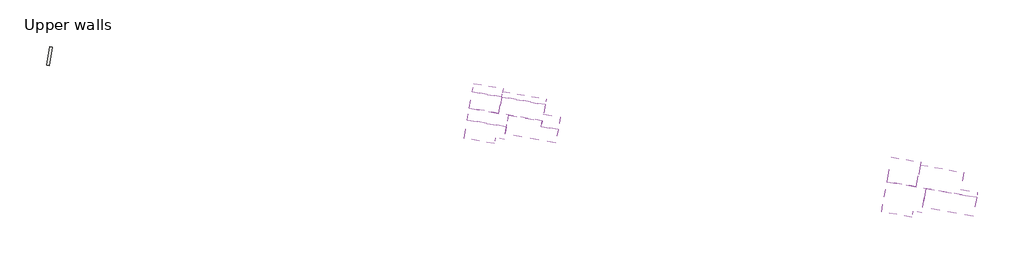
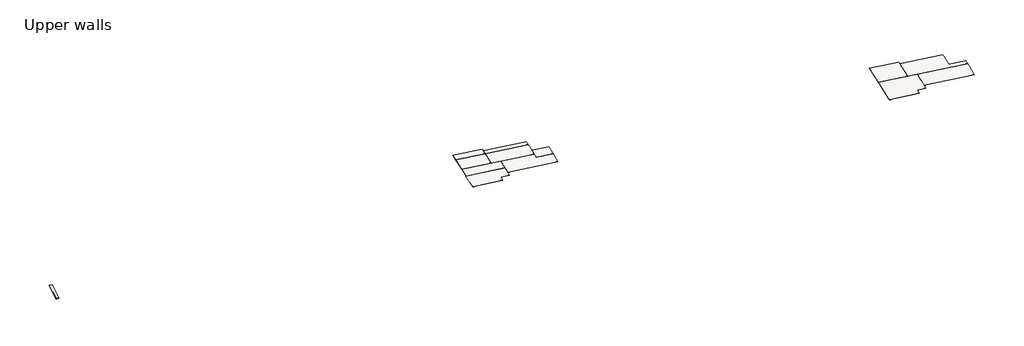
# One storey: 12 slabs, 1 roof.
"""IFC4 building model written with IfcOpenShell, lengths in millimetres."""

from ifc_helpers import new_model, si_unit, frame, origin, place, context, project, spatial, polyline, outline, extrude, element, save

model = new_model("IFC4")

# Units and contexts
model_context = context("Model", 3, world=origin())
ifc_project = project(units=[si_unit("LENGTHUNIT", "METRE", prefix="MILLI")], contexts=[model_context])

# Site, building, storey
site = spatial("IfcSite", under=ifc_project)
building = spatial("IfcBuilding", under=site)
storey = spatial("IfcBuildingStorey", under=building, Name="Upper walls", Elevation=2400.0)

# Roof
placement = place(None, origin())
element("IfcRoof", 1, ObjectType="90T_45Pur_Corr", at=placement, inside=storey, context=model_context, shape_type="SweptSolid", body=[
    extrude(outline(polyline([(4426.1038468, 3064.1982008), (0.0, 3844.6397284), (0.0, 4000.0), (4426.1038468, 3219.5584724), (4426.1038468, 3064.1982008)])), frame((-18423.1021286, -4402.6647553, 6403.0853224), z_axis=(-0.9848077530122061, 0.173648177666942, 0.0), x_axis=(0.173648177666942, 0.9848077530122061, 0.0)), (0.0, 0.0, 1.0), 645.0),
])

# Slabs
element("IfcSlab", 2, ObjectType="Adhesive5Tile9350x350", at=placement, inside=storey, context=model_context, shape_type="SweptSolid", body=[
    extrude(outline(polyline([(177879.6120871, -39016.1296578), (179136.9427525, -31885.4531139), (188343.9104354, -33508.8899269), (187333.3801952, -39239.8917067), (185265.2839138, -38875.2305336), (185018.4834887, -40274.9052977), (177879.6120871, -39016.1296578)])), frame((0.0, 0.0, 9386.0), z_axis=(0.0, 0.0, 1.0), x_axis=(1.0, 0.0, 0.0)), (0.0, 0.0, 1.0), 14.0),
])
element("IfcSlab", 3, ObjectType="Adhesive5Tile9350x350", at=placement, inside=storey, context=model_context, shape_type="SweptSolid", body=[
    extrude(outline(polyline([(187555.690322, -37979.1083261), (188344.0457553, -33508.1224898), (200267.4018514, -35610.5318701), (199479.0464181, -40081.5177064), (187555.690322, -37979.1083261)])), frame((0.0, 0.0, 9386.0), z_axis=(0.0, 0.0, 1.0), x_axis=(1.0, 0.0, 0.0)), (0.0, 0.0, 1.0), 14.0),
])
element("IfcSlab", 4, ObjectType="Adhesive5Tile9350x350", at=placement, inside=storey, context=model_context, shape_type="SweptSolid", body=[
    extrude(outline(polyline([(180189.7738159, -26038.3650102), (187124.2976088, -27261.1086532), (186092.6399121, -33111.9301927), (179158.1161192, -31889.1865497), (180189.7738159, -26038.3650102)])), frame((0.0, 0.0, 9386.0), z_axis=(0.0, 0.0, 1.0), x_axis=(1.0, 0.0, 0.0)), (0.0, 0.0, 1.0), 14.0),
])
element("IfcSlab", 5, ObjectType="Adhesive5Tile9350x350", at=placement, inside=storey, context=model_context, shape_type="SweptSolid", body=[
    extrude(outline(polyline([(187011.3813851, -27901.4883798), (197239.5947079, -29704.9983531), (196533.7148657, -33708.2418691), (200480.1281624, -34404.1010103), (200267.4018514, -35610.5318701), (186092.7752319, -33111.1627556), (187011.3813851, -27901.4883798)])), frame((0.0, 0.0, 9386.0), z_axis=(0.0, 0.0, 1.0), x_axis=(1.0, 0.0, 0.0)), (0.0, 0.0, 1.0), 14.0),
])
element("IfcSlab", 6, ObjectType="Adhesive5Tile9350x350", at=placement, inside=storey, context=model_context, shape_type="SweptSolid", body=[
    extrude(outline(polyline([(89882.4657229, -16143.8595832), (97859.4085223, -17550.4098223), (97633.0815611, -18833.9738028), (101563.2455299, -19526.9677491), (101001.1672567, -22714.6720408), (89094.0604885, -20615.1278554), (89882.4657229, -16143.8595832)])), frame((0.0, 0.0, 9386.0), z_axis=(0.0, 0.0, 1.0), x_axis=(1.0, 0.0, 0.0)), (0.0, 0.0, 1.0), 14.0),
])
element("IfcSlab", 7, ObjectType="Adhesive5Tile9350x350", at=placement, inside=storey, context=model_context, shape_type="SweptSolid", body=[
    extrude(outline(polyline([(89882.4232151, -16144.1006567), (89393.1006833, -18919.1866355), (80188.5950198, -17296.183943), (80677.9175516, -14521.0979641), (89882.4232151, -16144.1006567)])), frame((0.0, 0.0, 9386.0), z_axis=(0.0, 0.0, 1.0), x_axis=(1.0, 0.0, 0.0)), (0.0, 0.0, 1.0), 14.0),
])
element("IfcSlab", 8, ObjectType="Adhesive5Tile9350x350", at=placement, inside=storey, context=model_context, shape_type="SweptSolid", body=[
    extrude(outline(polyline([(87612.4413444, -15743.8416072), (88296.6600727, -11863.4443731), (98524.8733955, -13666.9543464), (97840.6546672, -17547.3515804), (87612.4413444, -15743.8416072)])), frame((0.0, 0.0, 9386.0), z_axis=(0.0, 0.0, 1.0), x_axis=(1.0, 0.0, 0.0)), (0.0, 0.0, 1.0), 14.0),
])
element("IfcSlab", 9, ObjectType="Adhesive5Tile9350x350", at=placement, inside=storey, context=model_context, shape_type="SweptSolid", body=[
    extrude(outline(polyline([(87612.4413444, -15743.8416072), (80677.9175516, -14521.0979641), (81362.1362798, -10640.7007301), (88296.6600727, -11863.4443731), (87612.4413444, -15743.8416072)])), frame((0.0, 0.0, 9386.0), z_axis=(0.0, 0.0, 1.0), x_axis=(1.0, 0.0, 0.0)), (0.0, 0.0, 1.0), 14.0),
])
element("IfcSlab", 10, ObjectType="Adhesive5Tile9350x350", at=placement, inside=storey, context=model_context, shape_type="SweptSolid", body=[
    extrude(outline(polyline([(81706.5364953, -8673.113123), (88643.5223076, -9896.2908865), (88296.6600727, -11863.4443731), (81359.6742605, -10640.2666097), (81706.5364953, -8673.113123)])), frame((0.0, 0.0, 9386.0), z_axis=(0.0, 0.0, 1.0), x_axis=(1.0, 0.0, 0.0)), (0.0, 0.0, 1.0), 14.0),
])
element("IfcSlab", 11, ObjectType="Adhesive5Tile9350x350", at=placement, inside=storey, context=model_context, shape_type="SweptSolid", body=[
    extrude(outline(polyline([(88530.6509921, -10536.415926), (98758.8643149, -12339.9258992), (98524.8733955, -13666.9543464), (88296.6600727, -11863.4443731), (88530.6509921, -10536.415926)])), frame((0.0, 0.0, 9386.0), z_axis=(0.0, 0.0, 1.0), x_axis=(1.0, 0.0, 0.0)), (0.0, 0.0, 1.0), 14.0),
])
element("IfcSlab", 12, ObjectType="Adhesive5Tile9350x350", at=placement, inside=storey, context=model_context, shape_type="SweptSolid", body=[
    extrude(outline(polyline([(98121.1732833, -15956.4514533), (102070.0485993, -16652.744715), (101563.2455299, -19526.9677491), (97614.3702138, -18830.6744874), (98121.1732833, -15956.4514533)])), frame((0.0, 0.0, 9386.0), z_axis=(0.0, 0.0, 1.0), x_axis=(1.0, 0.0, 0.0)), (0.0, 0.0, 1.0), 14.0),
])
element("IfcSlab", 13, ObjectType="Adhesive5Tile9350x350", at=placement, inside=storey, context=model_context, shape_type="SweptSolid", body=[
    extrude(outline(polyline([(80186.1330004, -17295.7498225), (89374.389336, -18915.8873201), (88852.6048939, -21875.07394), (86784.5086126, -21510.4127669), (86537.7081875, -22910.087531), (79417.5481332, -21654.6112065), (80186.1330004, -17295.7498225)])), frame((0.0, 0.0, 9386.0), z_axis=(0.0, 0.0, 1.0), x_axis=(1.0, 0.0, 0.0)), (0.0, 0.0, 1.0), 14.0),
])

save(model, "model.ifc")
